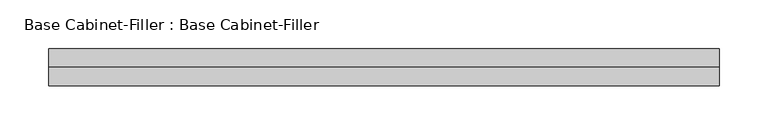
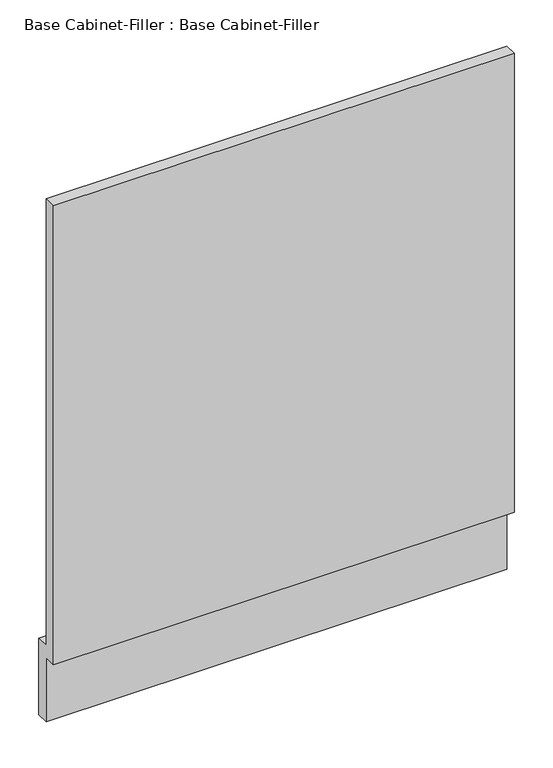
"""IFC4 building model written with IfcOpenShell, lengths in millimetres: furniture geometry, Base Cabinet-Filler : Base Cabinet-Filler."""

import ifcopenshell
import ifcopenshell.guid

model = None  # the IFC model being written
_history = None  # IfcOwnerHistory: only IFC2X3 demands one
_inside = {}  # id of a spatial element -> (the spatial element, [elements in it])
_under = {}  # id of a project, library or spatial element -> (it, [spatial elements below it])
_declared = {}  # id of a project -> (the project, [libraries it declares])
_typed = {}  # id of a type object -> (the type object, [elements of that type])
_made_of = {}  # id of a material, layer set ... -> (it, [elements and type objects made of it])


def new_model(schema):
    """Start an empty IFC model of exactly this schema.

    Asked for "IFC4X3", IfcOpenShell would pick the latest addendum, in which some entities
    have other attributes; the version numbers below select the first issue.
    IFC2X3 requires an IfcOwnerHistory on every rooted entity: one is made here for all.
    """
    global model, _history
    if schema == "IFC4X3":
        model = ifcopenshell.file(schema_version=(4, 3, 0, 0))
    else:
        model = ifcopenshell.file(schema=schema)
    _inside.clear()
    _under.clear()
    _declared.clear()
    _typed.clear()
    _made_of.clear()
    _history = None
    if model.schema == "IFC2X3":
        org = make("IfcOrganization", Name="unknown")
        user = make(
            "IfcPersonAndOrganization",
            ThePerson=make("IfcPerson", FamilyName="unknown"),
            TheOrganization=org,
        )
        app = make(
            "IfcApplication",
            ApplicationDeveloper=org,
            Version="unknown",
            ApplicationFullName="unknown",
            ApplicationIdentifier="unknown",
        )
        _history = make(
            "IfcOwnerHistory",
            OwningUser=user,
            OwningApplication=app,
            ChangeAction="ADDED",
            CreationDate=0,
        )
    return model


def make(cls, **values):
    """One entity of the class cls with the attributes given. An attribute that is None is left unset."""
    return model.create_entity(
        cls, **{name: value for name, value in values.items() if value is not None}
    )


def rooted(cls, **values):
    """An entity with a GlobalId (a new one), such as an element, a storey or a relation."""
    return make(cls, GlobalId=ifcopenshell.guid.new(), OwnerHistory=_history, **values)


def si_unit(unit_type, name, prefix=None):
    """IfcSIUnit, for example si_unit("LENGTHUNIT", "METRE", prefix="MILLI")."""
    return make("IfcSIUnit", UnitType=unit_type, Prefix=prefix, Name=name)


def assignment(units):
    """IfcUnitAssignment: the units of a project."""
    return None if units is None else make("IfcUnitAssignment", Units=units)


def point(xyz):
    """IfcCartesianPoint."""
    return None if xyz is None else make("IfcCartesianPoint", Coordinates=xyz)


def direction(xyz):
    """IfcDirection."""
    return None if xyz is None else make("IfcDirection", DirectionRatios=xyz)


def frame(location, z_axis=None, x_axis=None):
    """IfcAxis2Placement3D, a coordinate frame: its origin and axes. An axis left out is left unset."""
    return make(
        "IfcAxis2Placement3D",
        Location=point(location),
        Axis=direction(z_axis),
        RefDirection=direction(x_axis),
    )


def origin():
    """The frame at (0, 0, 0) with its axes left unset."""
    return frame((0.0, 0.0, 0.0))


def place(relative_to, where):
    """IfcLocalPlacement: puts the frame where relative to a parent placement (None: the world)."""
    return make(
        "IfcLocalPlacement", PlacementRelTo=relative_to, RelativePlacement=where
    )


def context(
    kind, dimensions, precision=None, world=None, true_north=None, identifier=None
):
    """IfcGeometricRepresentationContext, for example the 3D "Model" context."""
    return make(
        "IfcGeometricRepresentationContext",
        ContextIdentifier=identifier,
        ContextType=kind,
        CoordinateSpaceDimension=dimensions,
        Precision=precision,
        WorldCoordinateSystem=world,
        TrueNorth=true_north,
    )


def project(units=None, contexts=None):
    """IfcProject with its units and contexts."""
    return rooted(
        "IfcProject",
        Name="project",
        RepresentationContexts=contexts,
        UnitsInContext=assignment(units),
    )


def spatial(cls, under=None, at=None, **own):
    """A site, building, storey or space (cls), placed at a placement, below another one or the project."""
    s = rooted(cls, ObjectPlacement=at, **own)
    if under is not None:
        _under.setdefault(under.id(), (under, []))[1].append(s)
    return s


def polyline(points):
    """IfcPolyline through the points."""
    return make("IfcPolyline", Points=[point(p) for p in points])


def outline(outer, holes=None, kind="AREA"):
    """IfcArbitraryClosedProfileDef: a profile drawn as a closed curve; with holes, ...WithVoids."""
    if holes is None:
        return make("IfcArbitraryClosedProfileDef", ProfileType=kind, OuterCurve=outer)
    return make(
        "IfcArbitraryProfileDefWithVoids",
        ProfileType=kind,
        OuterCurve=outer,
        InnerCurves=holes,
    )


def extrude(swept, where, along, depth):
    """IfcExtrudedAreaSolid: the profile swept, set in the frame where, extruded along a direction by depth."""
    return make(
        "IfcExtrudedAreaSolid",
        SweptArea=swept,
        Position=where,
        ExtrudedDirection=direction(along),
        Depth=depth,
    )


def shape(context_of_items, identifier, shape_type, items):
    """IfcShapeRepresentation: the items that make up one representation, for example the "Body"."""
    return make(
        "IfcShapeRepresentation",
        ContextOfItems=context_of_items,
        RepresentationIdentifier=identifier,
        RepresentationType=shape_type,
        Items=items,
    )


def source(mapping_origin, context_of_items, identifier, shape_type, items):
    """IfcRepresentationMap: a shape defined once, which mapped items show again and again."""
    return make(
        "IfcRepresentationMap",
        MappingOrigin=mapping_origin,
        MappedRepresentation=shape(context_of_items, identifier, shape_type, items),
    )


def transform(
    local_origin,
    x_axis=None,
    y_axis=None,
    z_axis=None,
    scale=None,
    scale2=None,
    scale3=None,
    uniform=True,
):
    """IfcCartesianTransformationOperator3D, or its non-uniform kind. x_axis, y_axis, z_axis: its Axis1, 2, 3."""
    if uniform:
        return make(
            "IfcCartesianTransformationOperator3D",
            Axis1=direction(x_axis),
            Axis2=direction(y_axis),
            LocalOrigin=point(local_origin),
            Scale=scale,
            Axis3=direction(z_axis),
        )
    return make(
        "IfcCartesianTransformationOperator3DnonUniform",
        Axis1=direction(x_axis),
        Axis2=direction(y_axis),
        LocalOrigin=point(local_origin),
        Scale=scale,
        Axis3=direction(z_axis),
        Scale2=scale2,
        Scale3=scale3,
    )


def mapped(mapping_source, mapping_target):
    """IfcMappedItem: shows the shape of a source again, moved by a transform."""
    return make(
        "IfcMappedItem", MappingSource=mapping_source, MappingTarget=mapping_target
    )


def made_of(thing, what):
    """Note that an element or type object is made of a material, layer set ...; save() writes the relation."""
    if what is not None:
        _made_of.setdefault(what.id(), (what, []))[1].append(thing)
    return thing


def element(
    cls,
    number,
    at=None,
    inside=None,
    cuts=None,
    type_object=None,
    material=None,
    context=None,
    identifier="Body",
    shape_type=None,
    held_by="IfcProductDefinitionShape",
    body=None,
    shapes=None,
    **own,
):
    """One element of the class cls, such as IfcWall. Its Tag is "e" and its number.

    at: its placement. inside: the storey or other place that contains it. cuts: it is an
    opening in that element (IfcRelVoidsElement). A single representation is given by context,
    identifier, shape_type and body (its items); several are given by shapes. held_by: the class
    of the entity that holds the representations. save() writes the other relations.
    """
    e = rooted(cls, Tag="e%d" % number, ObjectPlacement=at, **own)
    if body is not None:
        shapes = [shape(context, identifier, shape_type, body)]
    if shapes is not None:
        e.Representation = make(held_by, Representations=shapes)
    if inside is not None:
        _inside.setdefault(inside.id(), (inside, []))[1].append(e)
    if cuts is not None:
        rooted(
            "IfcRelVoidsElement", RelatingBuildingElement=cuts, RelatedOpeningElement=e
        )
    if type_object is not None:
        _typed.setdefault(type_object.id(), (type_object, []))[1].append(e)
    return made_of(e, material)


def aggregate(whole, parts):
    """IfcRelAggregates: a whole, such as a stair, and the parts it consists of."""
    return rooted("IfcRelAggregates", RelatingObject=whole, RelatedObjects=parts)


def save(model, path):
    """Write the relations noted so far, then the file.

    IfcRelAggregates (storeys below a building ...), IfcRelContainedInSpatialStructure (elements
    in a storey), IfcRelDefinesByType, IfcRelAssociatesMaterial and IfcRelDeclares: one each for
    every whole, place, type object, material and project.
    """
    for whole, parts in _under.values():
        aggregate(whole, parts)
    for where, things in _inside.values():
        rooted(
            "IfcRelContainedInSpatialStructure",
            RelatedElements=things,
            RelatingStructure=where,
        )
    for kind, things in _typed.values():
        rooted("IfcRelDefinesByType", RelatedObjects=things, RelatingType=kind)
    for what, things in _made_of.values():
        rooted("IfcRelAssociatesMaterial", RelatedObjects=things, RelatingMaterial=what)
    for by, libraries in _declared.values():
        rooted("IfcRelDeclares", RelatingContext=by, RelatedDefinitions=libraries)
    model.write(path)


def base_cabinet_filler_base_cabinet_filler_61809b14(model_context):
    return source(origin(), model_context, "Body", "SweptSolid", [
        extrude(outline(polyline([(-590.55, 101.6), (-590.55, 825.5), (-571.5, 825.5), (-571.5, 120.65), (-552.45, 120.65), (-552.45, 0.0), (-571.5, 0.0), (-571.5, 101.6), (-590.55, 101.6)])), frame((-324.9789983, 0.0, 0.0), z_axis=(1.0, 0.0, 0.0), x_axis=(0.0, 1.0, 0.0)), (0.0, 0.0, 1.0), 687.4334064),
    ])


if __name__ == "__main__":
    model = new_model("IFC4")
    model_context = context("Model", 3, world=origin())
    ifc_project = project(units=[si_unit("LENGTHUNIT", "METRE", prefix="MILLI")], contexts=[model_context])
    site = spatial("IfcSite", under=ifc_project)
    building = spatial("IfcBuilding", under=site)
    placement = place(None, origin())
    base_cabinet_filler_base_cabinet_filler_shape = base_cabinet_filler_base_cabinet_filler_61809b14(model_context)
    element("IfcFurniture", 1, ObjectType="Base Cabinet-Filler : Base Cabinet-Filler", at=placement, inside=building, context=model_context, shape_type="MappedRepresentation", body=[
        mapped(base_cabinet_filler_base_cabinet_filler_shape, transform((0.0, 0.0, 0.0), x_axis=(1.0, 0.0, 0.0), y_axis=(0.0, 1.0, 0.0), z_axis=(0.0, 0.0, 1.0))),
    ])
    save(model, "model.ifc")
